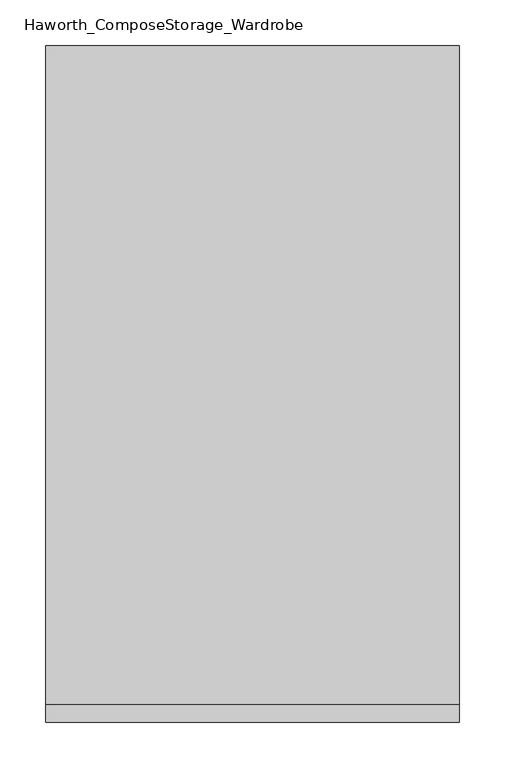
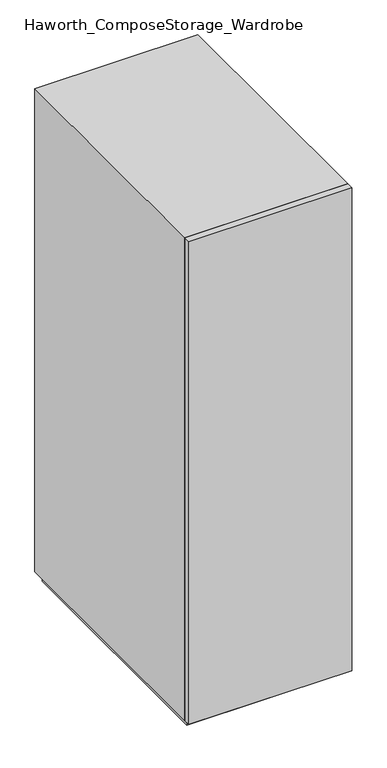
"""IFC4 building model written with IfcOpenShell, lengths in millimetres: furniture geometry, Haworth_ComposeStorage_Wardrobe."""

from ifc_helpers import new_model, si_unit, frame, origin, origin_with_axes, place, context, project, spatial, polyline, outline, extrude, faceted_brep, source, transform, mapped, element, save


def haworth_composestorage_wardrobe_d11c0a18(model_context):
    return source(origin(), model_context, "Body", "SolidModel", [
        extrude(outline(polyline([(227.0263906, -381.0), (-226.9986094, -381.0), (-226.9986094, -361.95), (227.0263906, -361.95), (227.0263906, -381.0)])), frame((0.0, 0.0, 25.4), z_axis=(0.0, 0.0, 1.0), x_axis=(1.0, 0.0, 0.0)), (0.0, 0.0, 1.0), 1422.4),
        faceted_brep([(-226.9986094, -361.95, 25.4), (227.0263906, -361.95, 25.4), (227.0263906, -361.95, 1447.8), (-226.9986094, -361.95, 1447.8), (-207.9486094, -361.95, 44.45), (-207.9486094, -361.95, 1428.75), (207.9486094, -361.95, 1428.75), (207.9486094, -361.95, 44.45), (-226.9986094, 361.95, 25.4), (-226.9986094, 361.95, 1447.8), (227.0263906, 361.95, 1447.8), (227.0263906, 361.95, 25.4), (-207.9486094, 342.9, 44.45), (-207.9486094, 342.9, 1428.75), (207.9486094, 342.9, 1428.75), (207.9486094, 342.9, 44.45)], [[[0, 1, 2, 3], [4, 5, 6, 7]], [[8, 9, 10, 11]], [[1, 0, 8, 11]], [[2, 1, 11, 10]], [[3, 2, 10, 9]], [[0, 3, 9, 8]], [[5, 4, 12, 13]], [[6, 5, 13, 14]], [[7, 6, 14, 15]], [[4, 7, 15, 12]], [[13, 12, 15, 14]]]),
        extrude(outline(polyline([(214.3263906, -349.25), (-214.2986094, -349.25), (-214.2986094, 349.25), (214.3263906, 349.25), (214.3263906, -349.25)])), origin_with_axes(), (0.0, 0.0, 1.0), 25.4),
    ])


if __name__ == "__main__":
    model = new_model("IFC4")
    model_context = context("Model", 3, world=origin())
    ifc_project = project(units=[si_unit("LENGTHUNIT", "METRE", prefix="MILLI")], contexts=[model_context])
    site = spatial("IfcSite", under=ifc_project)
    building = spatial("IfcBuilding", under=site)
    placement = place(None, origin())
    haworth_composestorage_wardrobe_shape = haworth_composestorage_wardrobe_d11c0a18(model_context)
    element("IfcFurniture", 1, ObjectType="Haworth_ComposeStorage_Wardrobe", at=placement, inside=building, context=model_context, shape_type="MappedRepresentation", body=[
        mapped(haworth_composestorage_wardrobe_shape, transform((0.0, 0.0, 0.0), x_axis=(1.0, 0.0, 0.0), y_axis=(0.0, 1.0, 0.0), z_axis=(0.0, 0.0, 1.0))),
    ])
    save(model, "model.ifc")
